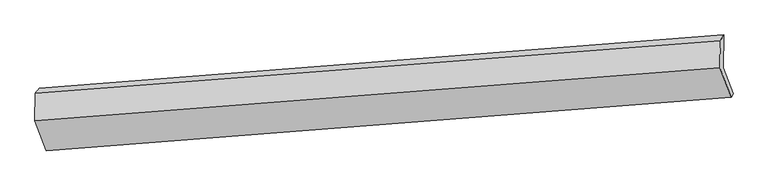
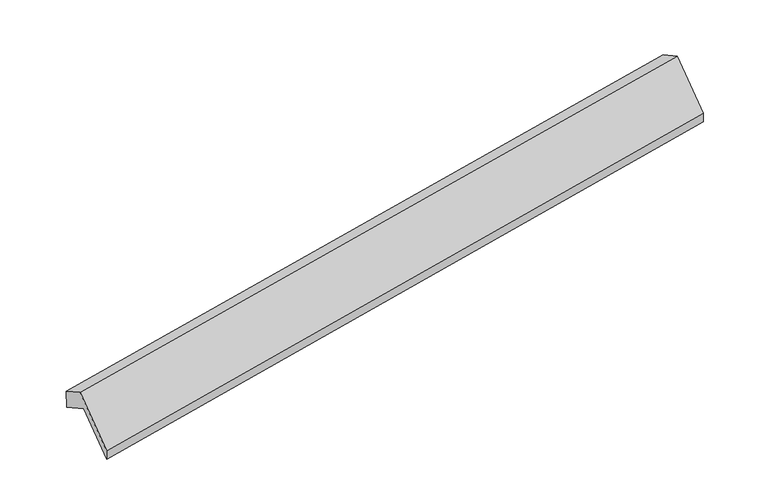
"""IFC4 building model written with IfcOpenShell, lengths in millimetres: proxy geometry."""

from ifc_helpers import new_model, si_unit, frame, origin, place, context, project, spatial, source, transform, mapped, element, save
from ifc_brep_helpers import plane_surface, spline_surface, advanced_brep


def generic_models_2bcf6ff5(model_context):
    return source(origin(), model_context, "Body", "AdvancedBrep", [
        advanced_brep(
        [(-7607.6240994, -1496.3902278, 1344.5715901), (-7614.9919462, -1872.8793285, 1556.9724253), (1744.4164104, -1149.5792314, 3163.7141782), (1751.626671, -781.1426204, 2955.8562514), (-7457.144373, -2287.0761915, 828.2671564), (1898.5626732, -1554.0637427, 2452.0960544), (-7430.683585, -2246.6895286, 656.6172821), (1925.1086713, -1509.3229307, 2277.9897346), (-7567.687077, -1887.1881728, 1289.0955925), (1788.1051794, -1149.8215749, 2910.4680451), (-7558.7833079, -1432.2150865, 1032.4170768), (1796.8636209, -702.2745746, 2657.9790447)],
        [
            (0, 1),
            (1, 2),
            (2, 3),
            (3, 0),
            (1, 4),
            (4, 5),
            (5, 2),
            (4, 6),
            (6, 7),
            (7, 5),
            (6, 8),
            (8, 9),
            (9, 7),
            (8, 10),
            (10, 11),
            (11, 9),
            (10, 0),
            (3, 11),
        ],
        [
            plane_surface(frame((-7611.3080228, -1684.6347781, 1450.7720077), z_axis=(-0.18422718600421462, 0.4856825548170646, 0.8545014920310775), x_axis=(-0.017042036147813563, -0.8708298377798444, 0.491289082553507))),
            plane_surface(frame((-7536.0681596, -2079.97776, 1192.6197908), z_axis=(-0.017042036147789263, -0.8708298377798436, 0.4912890825535094), x_axis=(0.18506551909918545, -0.4856175860579783, -0.8543572518283971))),
            spline_surface(1, 1, [[(-7457.144373, -2287.0761915, 828.2671564), (1898.5626732, -1554.0637427, 2452.0960544)], [(-7430.683585, -2246.6895286, 656.6172821), (1925.1086713, -1509.3229307, 2277.9897346)]], [2, 2], [2, 2], [0.0, 1.0], [0.0, 1.0]),
            plane_surface(frame((-7499.185331, -2066.9388507, 972.8564373), z_axis=(0.016526181040706966, 0.8707896284812814, -0.4913779688484642), x_axis=(-0.18506551909915298, 0.4856175860579944, 0.8543572518283951))),
            plane_surface(frame((-7563.2351924, -1659.7016297, 1160.7563347), z_axis=(0.18629051955453388, -0.48552199697564047, -0.8541453229848468), x_axis=(0.017042036147798423, 0.8708298377798405, -0.49128908255351444))),
            spline_surface(1, 1, [[(-7558.7833079, -1432.2150865, 1032.4170768), (1796.8636209, -702.2745746, 2657.9790447)], [(-7607.6240994, -1496.3902278, 1344.5715901), (1751.626671, -781.1426204, 2955.8562514)]], [2, 2], [2, 2], [0.0, 1.0], [0.0, 1.0]),
            plane_surface(frame((1817.4472044, -1141.0341124, 2736.3505514), z_axis=(0.9825784053420674, 0.0763606819216369, 0.16943648843121892), x_axis=(0.017042036147798423, 0.8708298377798405, -0.49128908255351444))),
            plane_surface(frame((-7539.4857314, -1870.4064226, 1117.9901872), z_axis=(-0.9825784053420472, -0.07636068192167991, -0.16943648843131698), x_axis=(0.15148942918599, 0.19905196518885085, -0.9682093100148126))),
        ],
        [
            (0, [[1, 2, 3, 4]]),
            (1, [[5, 6, 7, -2]]),
            (2, [[8, 9, 10, -6]]),
            (3, [[11, 12, 13, -9]]),
            (4, [[14, 15, 16, -12]]),
            (5, [[17, -4, 18, -15]]),
            (6, [[-16, -18, -3, -7, -10, -13]]),
            (7, [[-17, -14, -11, -8, -5, -1]]),
        ],
    ),
    ])


if __name__ == "__main__":
    model = new_model("IFC4")
    model_context = context("Model", 3, world=origin())
    ifc_project = project(units=[si_unit("LENGTHUNIT", "METRE", prefix="MILLI")], contexts=[model_context])
    site = spatial("IfcSite", under=ifc_project)
    building = spatial("IfcBuilding", under=site)
    placement = place(None, origin())
    generic_models_shape = generic_models_2bcf6ff5(model_context)
    element("IfcBuildingElementProxy", 1, Name="Generic Models", at=placement, inside=building, context=model_context, shape_type="MappedRepresentation", body=[
        mapped(generic_models_shape, transform((0.0, 0.0, 0.0), x_axis=(1.0, 0.0, 0.0), y_axis=(0.0, 1.0, 0.0), z_axis=(0.0, 0.0, 1.0))),
    ])
    save(model, "model.ifc")
